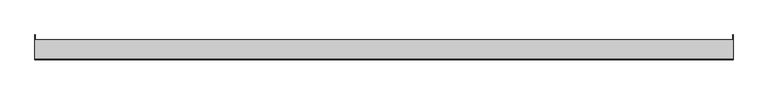
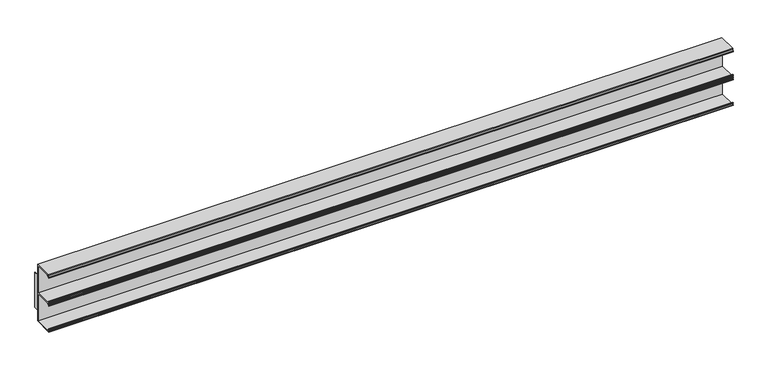
"""IFC4 building model written with IfcOpenShell, lengths in millimetres: furniture geometry."""

from ifc_helpers import new_model, si_unit, frame, origin, place, context, project, spatial, polyline, outline, extrude, source, transform, mapped, element, save


def furniture_0e661a2a(model_context):
    return source(origin(), model_context, "Body", "SweptSolid", [
        extrude(outline(polyline([(-111.1123009, 1098.55), (-111.1123009, 965.2), (-153.9875, 965.2), (-153.9875, 967.1812017), (-151.1172991, 967.1812017), (-153.9875, 969.822801), (-153.9875, 971.9310027), (-153.1650166, 971.9310027), (-148.0041722, 967.1812017), (-113.093501, 967.1812017), (-113.093501, 1030.8836951), (-148.0041761, 1030.8836951), (-153.1650166, 1026.1338942), (-153.9875, 1026.1338942), (-153.9875, 1028.2420939), (-151.1172991, 1030.8836951), (-153.9875, 1030.8836951), (-153.9875, 1032.8648923), (-151.1172963, 1032.8648923), (-153.9875, 1035.5064962), (-153.9875, 1037.6146933), (-153.1650166, 1037.6146933), (-148.0041761, 1032.8648923), (-113.093501, 1032.8648923), (-113.093501, 1096.5688), (-148.0041761, 1096.5688), (-153.1650166, 1091.8190002), (-153.9875, 1091.8190002), (-153.9875, 1093.9272001), (-151.1172991, 1096.5688), (-152.4127006, 1096.5688), (-152.4127006, 1098.55), (-111.1123009, 1098.55)])), frame((-762.0, 0.0, 0.0), z_axis=(1.0, 0.0, 0.0), x_axis=(0.0, 1.0, 0.0)), (0.0, 0.0, 1.0), 1524.0),
        extrude(outline(polyline([(762.0, -111.1123009), (761.20625, -111.1123009), (761.20625, -100.0125), (762.0, -100.0125), (762.0, -111.1123009)])), frame((0.0, 0.0, 990.2697997), z_axis=(0.0, 0.0, 1.0), x_axis=(1.0, 0.0, 0.0)), (0.0, 0.0, 1.0), 83.2104006),
        extrude(outline(polyline([(-762.0, -100.0125), (-761.20625, -100.0125), (-761.20625, -111.1123009), (-762.0, -111.1123009), (-762.0, -100.0125)])), frame((0.0, 0.0, 990.2697997), z_axis=(0.0, 0.0, 1.0), x_axis=(1.0, 0.0, 0.0)), (0.0, 0.0, 1.0), 83.2104006),
    ])


if __name__ == "__main__":
    model = new_model("IFC4")
    model_context = context("Model", 3, world=origin())
    ifc_project = project(units=[si_unit("LENGTHUNIT", "METRE", prefix="MILLI")], contexts=[model_context])
    site = spatial("IfcSite", under=ifc_project)
    building = spatial("IfcBuilding", under=site)
    placement = place(None, origin())
    furniture_shape = furniture_0e661a2a(model_context)
    element("IfcFurniture", 1, at=placement, inside=building, context=model_context, shape_type="MappedRepresentation", body=[
        mapped(furniture_shape, transform((0.0, 0.0, 0.0), x_axis=(1.0, 0.0, 0.0), y_axis=(0.0, 1.0, 0.0), z_axis=(0.0, 0.0, 1.0))),
    ])
    save(model, "model.ifc")
